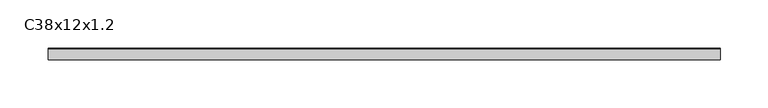
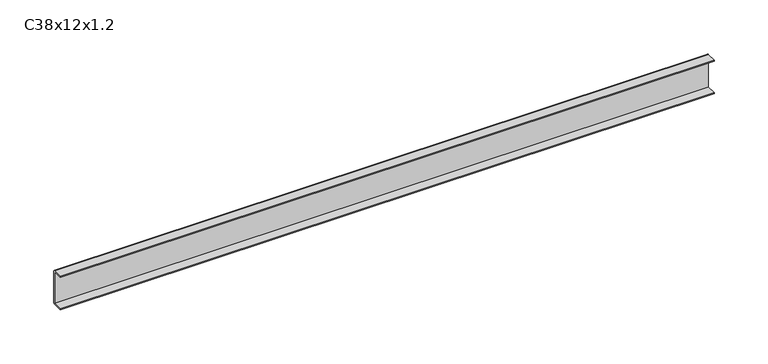
"""IFC4 building model written with IfcOpenShell, lengths in millimetres: proxy geometry, C38x12x1.2."""

from ifc_helpers import new_model, si_unit, point, frame, frame_2d, origin, place, context, project, spatial, polyline, circle_curve, trimmed, segment, composite_curve, outline, extrude, source, transform, mapped, element, save


def c38x12x1_2_6e8aabab(model_context):
    return source(origin(), model_context, "Body", "SweptSolid", [
        extrude(outline(composite_curve([segment(polyline([(-6.0, 36.8), (-6.0, 38.0), (4.8, 38.0)]), True, "CONTINUOUS"), segment(trimmed(circle_curve(frame_2d((4.8, 36.8)), 1.2), [point((4.8, 38.0))], [point((6.0, 36.8))], False, "CARTESIAN"), True, "CONTINUOUS"), segment(polyline([(6.0, 36.8), (6.0, 1.2)]), True, "CONTINUOUS"), segment(trimmed(circle_curve(frame_2d((4.8, 1.2)), 1.2), [point((6.0, 1.2))], [point((4.8, 0.0))], False, "CARTESIAN"), True, "CONTINUOUS"), segment(polyline([(4.8, 0.0), (-6.0, 0.0), (-6.0, 1.2), (4.8, 1.2), (4.8, 36.8), (-6.0, 36.8)]), True, "CONTINUOUS")], self_intersect=False)), frame((0.0, 0.0, 0.0), z_axis=(1.0, 0.0, 0.0), x_axis=(0.0, 1.0, 0.0)), (0.0, 0.0, 1.0), 700.0),
    ])


if __name__ == "__main__":
    model = new_model("IFC4")
    model_context = context("Model", 3, world=origin())
    ifc_project = project(units=[si_unit("LENGTHUNIT", "METRE", prefix="MILLI")], contexts=[model_context])
    site = spatial("IfcSite", under=ifc_project)
    building = spatial("IfcBuilding", under=site)
    placement = place(None, origin())
    c38x12x1_2_shape = c38x12x1_2_6e8aabab(model_context)
    element("IfcBuildingElementProxy", 1, Name="C38x12x1.2", ObjectType="C38x12x1.2", at=placement, inside=building, context=model_context, shape_type="MappedRepresentation", body=[
        mapped(c38x12x1_2_shape, transform((0.0, 0.0, 0.0), x_axis=(1.0, 0.0, 0.0), y_axis=(0.0, 1.0, 0.0), z_axis=(0.0, 0.0, 1.0))),
    ])
    save(model, "model.ifc")
